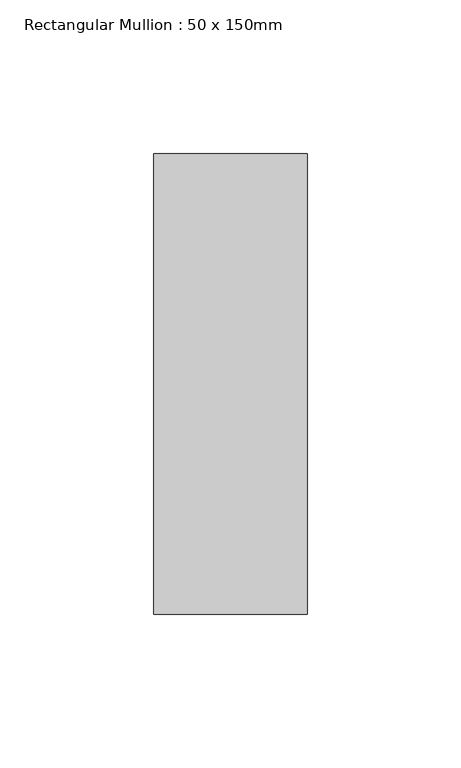
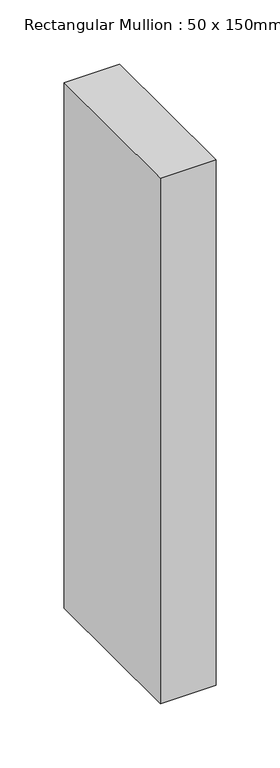
"""IFC4 building model written with IfcOpenShell, lengths in millimetres: member geometry, Rectangular Mullion : 50 x 150mm."""

from ifc_helpers import new_model, si_unit, frame, origin, place, context, project, spatial, polyline, outline, extrude, source, transform, mapped, element, save


def rectangular_mullion_50_x_150mm_679ab983(model_context):
    return source(origin(), model_context, "Body", "SweptSolid", [
        extrude(outline(polyline([(25.0, 75.0), (25.0, -75.0), (-25.0, -75.0), (-25.0, 75.0), (25.0, 75.0)])), frame((0.0, 0.0, -499.5737839), z_axis=(0.0, 0.0, 1.0), x_axis=(1.0, 0.0, 0.0)), (0.0, 0.0, 1.0), 499.5737839),
    ])


if __name__ == "__main__":
    model = new_model("IFC4")
    model_context = context("Model", 3, world=origin())
    ifc_project = project(units=[si_unit("LENGTHUNIT", "METRE", prefix="MILLI")], contexts=[model_context])
    site = spatial("IfcSite", under=ifc_project)
    building = spatial("IfcBuilding", under=site)
    placement = place(None, origin())
    rectangular_mullion_50_x_150mm_shape = rectangular_mullion_50_x_150mm_679ab983(model_context)
    element("IfcMember", 1, ObjectType="Rectangular Mullion : 50 x 150mm", at=placement, inside=building, context=model_context, shape_type="MappedRepresentation", body=[
        mapped(rectangular_mullion_50_x_150mm_shape, transform((0.0, 0.0, 0.0), x_axis=(1.0, 0.0, 0.0), y_axis=(0.0, 1.0, 0.0), z_axis=(0.0, 0.0, 1.0))),
    ])
    save(model, "model.ifc")
